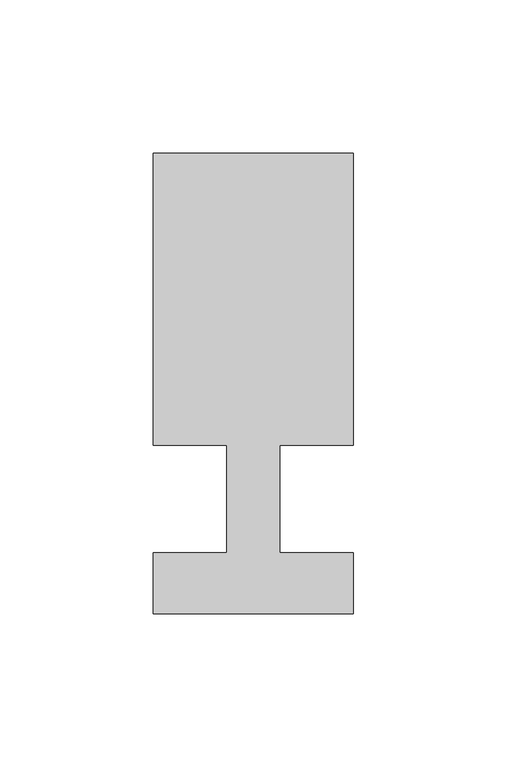
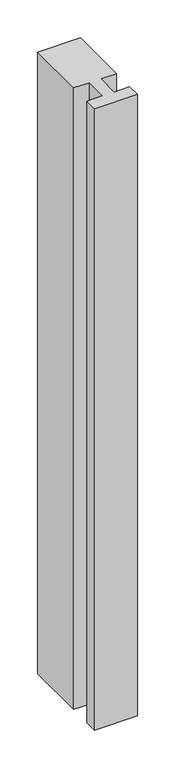
"""IFC4 building model written with IfcOpenShell, lengths in millimetres: member geometry."""

from ifc_helpers import new_model, si_unit, frame, origin, place, context, project, spatial, polyline, outline, extrude, source, transform, mapped, element, save


def member_fe3598ae(model_context):
    return source(origin(), model_context, "Body", "SweptSolid", [
        extrude(outline(polyline([(-65.0, -37.0), (-65.0, -17.0), (-41.1875, -17.0), (-41.1875, 18.0), (-65.0, 18.0), (-65.0, 113.0), (0.0, 113.0), (0.0, 18.0), (-23.8125, 18.0), (-23.8125, -17.0), (0.0, -17.0), (0.0, -37.0), (-65.0, -37.0)])), frame((0.0, 0.0, -1000.0), z_axis=(0.0, 0.0, 1.0), x_axis=(1.0, 0.0, 0.0)), (0.0, 0.0, 1.0), 1000.0),
    ])


if __name__ == "__main__":
    model = new_model("IFC4")
    model_context = context("Model", 3, world=origin())
    ifc_project = project(units=[si_unit("LENGTHUNIT", "METRE", prefix="MILLI")], contexts=[model_context])
    site = spatial("IfcSite", under=ifc_project)
    building = spatial("IfcBuilding", under=site)
    placement = place(None, origin())
    member_shape = member_fe3598ae(model_context)
    element("IfcMember", 1, at=placement, inside=building, context=model_context, shape_type="MappedRepresentation", body=[
        mapped(member_shape, transform((0.0, 0.0, 0.0), x_axis=(1.0, 0.0, 0.0), y_axis=(0.0, 1.0, 0.0), z_axis=(0.0, 0.0, 1.0))),
    ])
    save(model, "model.ifc")
